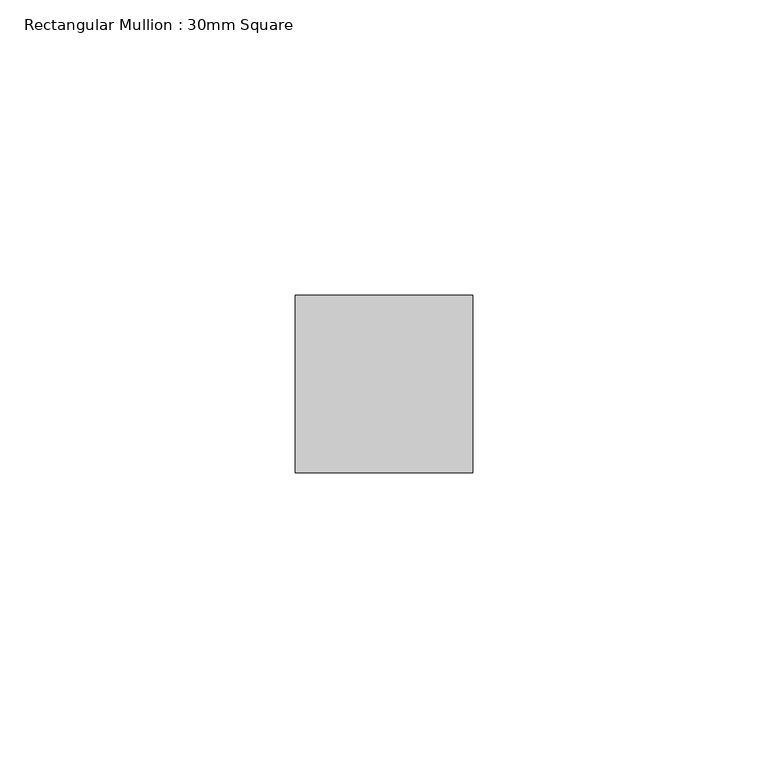
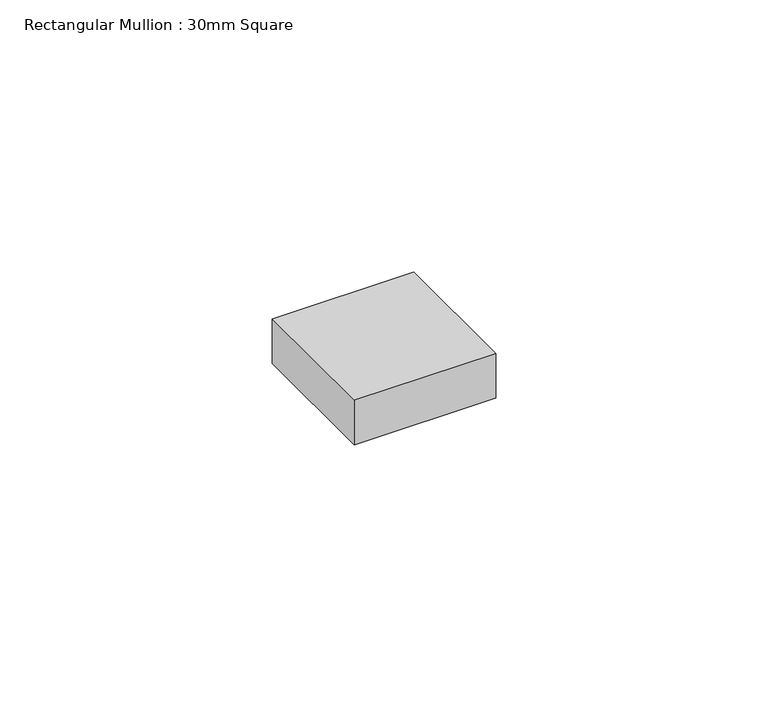
"""IFC4 building model written with IfcOpenShell, lengths in millimetres: member geometry, Rectangular Mullion : 30mm Square."""

from ifc_helpers import new_model, si_unit, frame, origin, place, context, project, spatial, polyline, outline, extrude, source, transform, mapped, element, save


def rectangular_mullion_30mm_square_8b1bcc6e(model_context):
    return source(origin(), model_context, "Body", "SweptSolid", [
        extrude(outline(polyline([(0.0, 15.0), (0.0, -15.0), (-30.0, -15.0), (-30.0, 15.0), (0.0, 15.0)])), frame((0.0, 0.0, -10.0), z_axis=(0.0, 0.0, 1.0), x_axis=(1.0, 0.0, 0.0)), (0.0, 0.0, 1.0), 10.0),
    ])


if __name__ == "__main__":
    model = new_model("IFC4")
    model_context = context("Model", 3, world=origin())
    ifc_project = project(units=[si_unit("LENGTHUNIT", "METRE", prefix="MILLI")], contexts=[model_context])
    site = spatial("IfcSite", under=ifc_project)
    building = spatial("IfcBuilding", under=site)
    placement = place(None, origin())
    rectangular_mullion_30mm_square_shape = rectangular_mullion_30mm_square_8b1bcc6e(model_context)
    element("IfcMember", 1, ObjectType="Rectangular Mullion : 30mm Square", at=placement, inside=building, context=model_context, shape_type="MappedRepresentation", body=[
        mapped(rectangular_mullion_30mm_square_shape, transform((0.0, 0.0, 0.0), x_axis=(1.0, 0.0, 0.0), y_axis=(0.0, 1.0, 0.0), z_axis=(0.0, 0.0, 1.0))),
    ])
    save(model, "model.ifc")
